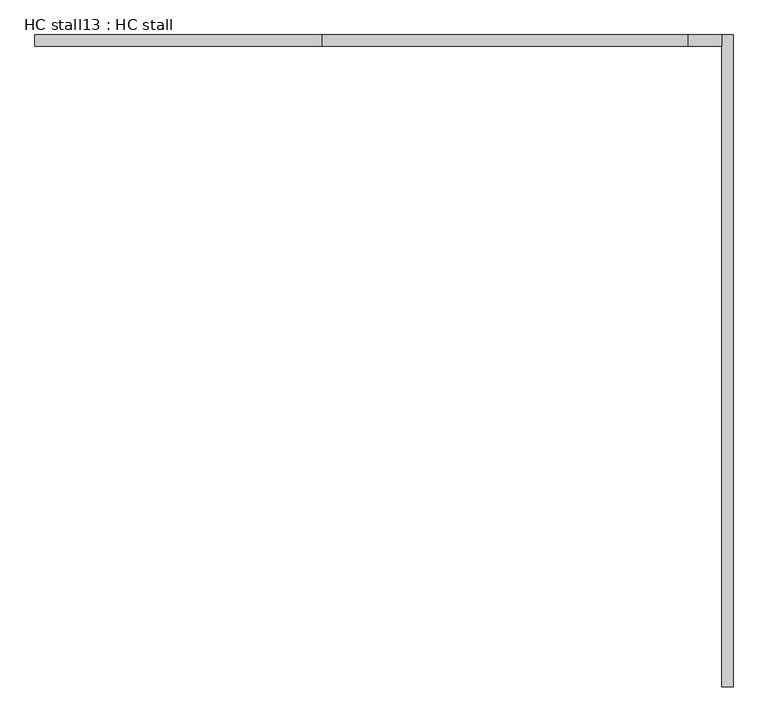
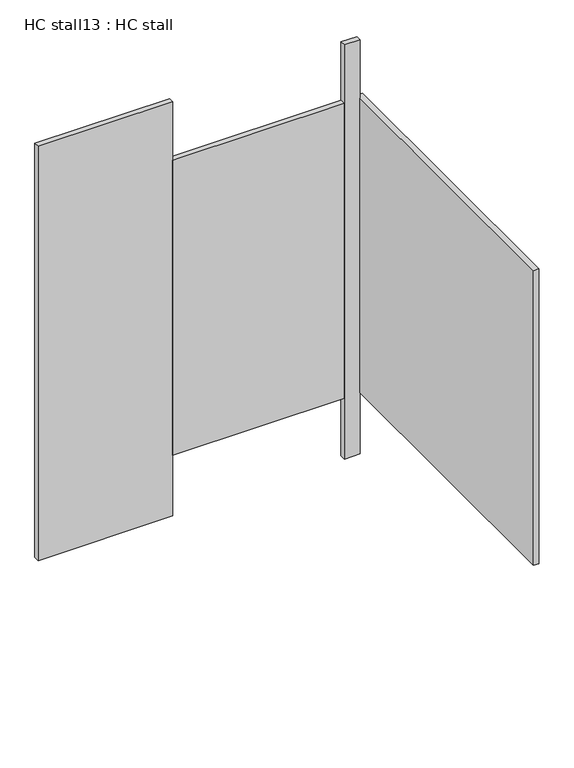
"""IFC4 building model written with IfcOpenShell, lengths in millimetres: proxy geometry, HC stall13 : HC stall."""

import ifcopenshell
import ifcopenshell.guid

model = None  # the IFC model being written
_history = None  # IfcOwnerHistory: only IFC2X3 demands one
_inside = {}  # id of a spatial element -> (the spatial element, [elements in it])
_under = {}  # id of a project, library or spatial element -> (it, [spatial elements below it])
_declared = {}  # id of a project -> (the project, [libraries it declares])
_typed = {}  # id of a type object -> (the type object, [elements of that type])
_made_of = {}  # id of a material, layer set ... -> (it, [elements and type objects made of it])


def new_model(schema):
    """Start an empty IFC model of exactly this schema.

    Asked for "IFC4X3", IfcOpenShell would pick the latest addendum, in which some entities
    have other attributes; the version numbers below select the first issue.
    IFC2X3 requires an IfcOwnerHistory on every rooted entity: one is made here for all.
    """
    global model, _history
    if schema == "IFC4X3":
        model = ifcopenshell.file(schema_version=(4, 3, 0, 0))
    else:
        model = ifcopenshell.file(schema=schema)
    _inside.clear()
    _under.clear()
    _declared.clear()
    _typed.clear()
    _made_of.clear()
    _history = None
    if model.schema == "IFC2X3":
        org = make("IfcOrganization", Name="unknown")
        user = make(
            "IfcPersonAndOrganization",
            ThePerson=make("IfcPerson", FamilyName="unknown"),
            TheOrganization=org,
        )
        app = make(
            "IfcApplication",
            ApplicationDeveloper=org,
            Version="unknown",
            ApplicationFullName="unknown",
            ApplicationIdentifier="unknown",
        )
        _history = make(
            "IfcOwnerHistory",
            OwningUser=user,
            OwningApplication=app,
            ChangeAction="ADDED",
            CreationDate=0,
        )
    return model


def make(cls, **values):
    """One entity of the class cls with the attributes given. An attribute that is None is left unset."""
    return model.create_entity(
        cls, **{name: value for name, value in values.items() if value is not None}
    )


def rooted(cls, **values):
    """An entity with a GlobalId (a new one), such as an element, a storey or a relation."""
    return make(cls, GlobalId=ifcopenshell.guid.new(), OwnerHistory=_history, **values)


def si_unit(unit_type, name, prefix=None):
    """IfcSIUnit, for example si_unit("LENGTHUNIT", "METRE", prefix="MILLI")."""
    return make("IfcSIUnit", UnitType=unit_type, Prefix=prefix, Name=name)


def assignment(units):
    """IfcUnitAssignment: the units of a project."""
    return None if units is None else make("IfcUnitAssignment", Units=units)


def point(xyz):
    """IfcCartesianPoint."""
    return None if xyz is None else make("IfcCartesianPoint", Coordinates=xyz)


def direction(xyz):
    """IfcDirection."""
    return None if xyz is None else make("IfcDirection", DirectionRatios=xyz)


def frame(location, z_axis=None, x_axis=None):
    """IfcAxis2Placement3D, a coordinate frame: its origin and axes. An axis left out is left unset."""
    return make(
        "IfcAxis2Placement3D",
        Location=point(location),
        Axis=direction(z_axis),
        RefDirection=direction(x_axis),
    )


def origin():
    """The frame at (0, 0, 0) with its axes left unset."""
    return frame((0.0, 0.0, 0.0))


def origin_with_axes():
    """The frame at (0, 0, 0) with the z axis (0, 0, 1) and the x axis (1, 0, 0) written out."""
    return frame((0.0, 0.0, 0.0), z_axis=(0.0, 0.0, 1.0), x_axis=(1.0, 0.0, 0.0))


def place(relative_to, where):
    """IfcLocalPlacement: puts the frame where relative to a parent placement (None: the world)."""
    return make(
        "IfcLocalPlacement", PlacementRelTo=relative_to, RelativePlacement=where
    )


def context(
    kind, dimensions, precision=None, world=None, true_north=None, identifier=None
):
    """IfcGeometricRepresentationContext, for example the 3D "Model" context."""
    return make(
        "IfcGeometricRepresentationContext",
        ContextIdentifier=identifier,
        ContextType=kind,
        CoordinateSpaceDimension=dimensions,
        Precision=precision,
        WorldCoordinateSystem=world,
        TrueNorth=true_north,
    )


def project(units=None, contexts=None):
    """IfcProject with its units and contexts."""
    return rooted(
        "IfcProject",
        Name="project",
        RepresentationContexts=contexts,
        UnitsInContext=assignment(units),
    )


def spatial(cls, under=None, at=None, **own):
    """A site, building, storey or space (cls), placed at a placement, below another one or the project."""
    s = rooted(cls, ObjectPlacement=at, **own)
    if under is not None:
        _under.setdefault(under.id(), (under, []))[1].append(s)
    return s


def polyline(points):
    """IfcPolyline through the points."""
    return make("IfcPolyline", Points=[point(p) for p in points])


def outline(outer, holes=None, kind="AREA"):
    """IfcArbitraryClosedProfileDef: a profile drawn as a closed curve; with holes, ...WithVoids."""
    if holes is None:
        return make("IfcArbitraryClosedProfileDef", ProfileType=kind, OuterCurve=outer)
    return make(
        "IfcArbitraryProfileDefWithVoids",
        ProfileType=kind,
        OuterCurve=outer,
        InnerCurves=holes,
    )


def extrude(swept, where, along, depth):
    """IfcExtrudedAreaSolid: the profile swept, set in the frame where, extruded along a direction by depth."""
    return make(
        "IfcExtrudedAreaSolid",
        SweptArea=swept,
        Position=where,
        ExtrudedDirection=direction(along),
        Depth=depth,
    )


def shape(context_of_items, identifier, shape_type, items):
    """IfcShapeRepresentation: the items that make up one representation, for example the "Body"."""
    return make(
        "IfcShapeRepresentation",
        ContextOfItems=context_of_items,
        RepresentationIdentifier=identifier,
        RepresentationType=shape_type,
        Items=items,
    )


def source(mapping_origin, context_of_items, identifier, shape_type, items):
    """IfcRepresentationMap: a shape defined once, which mapped items show again and again."""
    return make(
        "IfcRepresentationMap",
        MappingOrigin=mapping_origin,
        MappedRepresentation=shape(context_of_items, identifier, shape_type, items),
    )


def transform(
    local_origin,
    x_axis=None,
    y_axis=None,
    z_axis=None,
    scale=None,
    scale2=None,
    scale3=None,
    uniform=True,
):
    """IfcCartesianTransformationOperator3D, or its non-uniform kind. x_axis, y_axis, z_axis: its Axis1, 2, 3."""
    if uniform:
        return make(
            "IfcCartesianTransformationOperator3D",
            Axis1=direction(x_axis),
            Axis2=direction(y_axis),
            LocalOrigin=point(local_origin),
            Scale=scale,
            Axis3=direction(z_axis),
        )
    return make(
        "IfcCartesianTransformationOperator3DnonUniform",
        Axis1=direction(x_axis),
        Axis2=direction(y_axis),
        LocalOrigin=point(local_origin),
        Scale=scale,
        Axis3=direction(z_axis),
        Scale2=scale2,
        Scale3=scale3,
    )


def mapped(mapping_source, mapping_target):
    """IfcMappedItem: shows the shape of a source again, moved by a transform."""
    return make(
        "IfcMappedItem", MappingSource=mapping_source, MappingTarget=mapping_target
    )


def made_of(thing, what):
    """Note that an element or type object is made of a material, layer set ...; save() writes the relation."""
    if what is not None:
        _made_of.setdefault(what.id(), (what, []))[1].append(thing)
    return thing


def element(
    cls,
    number,
    at=None,
    inside=None,
    cuts=None,
    type_object=None,
    material=None,
    context=None,
    identifier="Body",
    shape_type=None,
    held_by="IfcProductDefinitionShape",
    body=None,
    shapes=None,
    **own,
):
    """One element of the class cls, such as IfcWall. Its Tag is "e" and its number.

    at: its placement. inside: the storey or other place that contains it. cuts: it is an
    opening in that element (IfcRelVoidsElement). A single representation is given by context,
    identifier, shape_type and body (its items); several are given by shapes. held_by: the class
    of the entity that holds the representations. save() writes the other relations.
    """
    e = rooted(cls, Tag="e%d" % number, ObjectPlacement=at, **own)
    if body is not None:
        shapes = [shape(context, identifier, shape_type, body)]
    if shapes is not None:
        e.Representation = make(held_by, Representations=shapes)
    if inside is not None:
        _inside.setdefault(inside.id(), (inside, []))[1].append(e)
    if cuts is not None:
        rooted(
            "IfcRelVoidsElement", RelatingBuildingElement=cuts, RelatedOpeningElement=e
        )
    if type_object is not None:
        _typed.setdefault(type_object.id(), (type_object, []))[1].append(e)
    return made_of(e, material)


def aggregate(whole, parts):
    """IfcRelAggregates: a whole, such as a stair, and the parts it consists of."""
    return rooted("IfcRelAggregates", RelatingObject=whole, RelatedObjects=parts)


def save(model, path):
    """Write the relations noted so far, then the file.

    IfcRelAggregates (storeys below a building ...), IfcRelContainedInSpatialStructure (elements
    in a storey), IfcRelDefinesByType, IfcRelAssociatesMaterial and IfcRelDeclares: one each for
    every whole, place, type object, material and project.
    """
    for whole, parts in _under.values():
        aggregate(whole, parts)
    for where, things in _inside.values():
        rooted(
            "IfcRelContainedInSpatialStructure",
            RelatedElements=things,
            RelatingStructure=where,
        )
    for kind, things in _typed.values():
        rooted("IfcRelDefinesByType", RelatedObjects=things, RelatingType=kind)
    for what, things in _made_of.values():
        rooted("IfcRelAssociatesMaterial", RelatedObjects=things, RelatingMaterial=what)
    for by, libraries in _declared.values():
        rooted("IfcRelDeclares", RelatingContext=by, RelatedDefinitions=libraries)
    model.write(path)


def hc_stall13_hc_stall_8dbd12c1(model_context):
    return source(origin(), model_context, "Body", "SweptSolid", [
        extrude(outline(polyline([(443344.5112284, -352832.2080223), (443319.1112284, -352832.2080223), (443319.1112284, -351384.5355592), (443344.5112284, -351384.5355592), (443344.5112284, -352832.2080223)])), frame((0.0, 0.0, 304.8), z_axis=(0.0, 0.0, 1.0), x_axis=(1.0, 0.0, 0.0)), (0.0, 0.0, 1.0), 1473.2),
        extrude(outline(polyline([(442431.6987284, -351409.8080223), (441795.1112284, -351409.8080223), (441795.1112284, -351384.4080223), (442431.6987284, -351384.4080223), (442431.6987284, -351409.8080223)])), origin_with_axes(), (0.0, 0.0, 1.0), 2070.1),
        extrude(outline(polyline([(443319.1112284, -351409.8080223), (443244.4987284, -351409.8080223), (443244.4987284, -351384.4080223), (443319.1112284, -351384.4080223), (443319.1112284, -351409.8080223)])), origin_with_axes(), (0.0, 0.0, 1.0), 2070.1),
        extrude(outline(polyline([(443244.4987284, -351409.8080223), (442431.6987284, -351409.8080223), (442431.6987284, -351384.4080223), (443244.4987284, -351384.4080223), (443244.4987284, -351409.8080223)])), frame((0.0, 0.0, 304.8), z_axis=(0.0, 0.0, 1.0), x_axis=(1.0, 0.0, 0.0)), (0.0, 0.0, 1.0), 1473.2),
    ])


if __name__ == "__main__":
    model = new_model("IFC4")
    model_context = context("Model", 3, world=origin())
    ifc_project = project(units=[si_unit("LENGTHUNIT", "METRE", prefix="MILLI")], contexts=[model_context])
    site = spatial("IfcSite", under=ifc_project)
    building = spatial("IfcBuilding", under=site)
    placement = place(None, origin())
    hc_stall13_hc_stall_shape = hc_stall13_hc_stall_8dbd12c1(model_context)
    element("IfcBuildingElementProxy", 1, Name="HC stall13 : HC stall", ObjectType="HC stall13 : HC stall", at=placement, inside=building, context=model_context, shape_type="MappedRepresentation", body=[
        mapped(hc_stall13_hc_stall_shape, transform((0.0, 0.0, 0.0), x_axis=(1.0, 0.0, 0.0), y_axis=(0.0, 1.0, 0.0), z_axis=(0.0, 0.0, 1.0))),
    ])
    save(model, "model.ifc")
